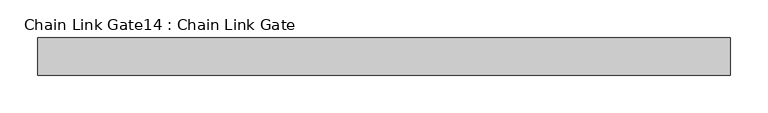
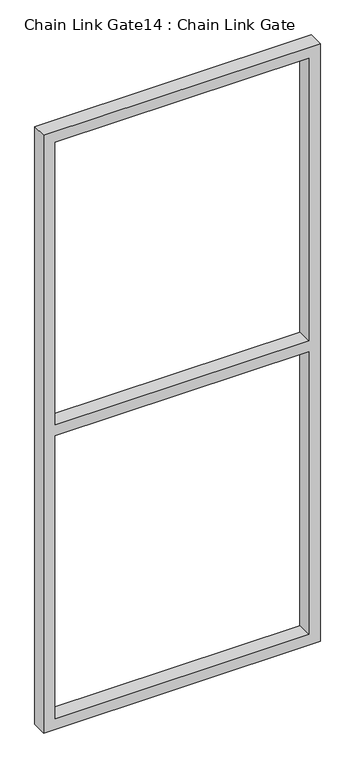
"""IFC4 building model written with IfcOpenShell, lengths in millimetres: proxy geometry, Chain Link Gate14 : Chain Link Gate."""

from ifc_helpers import new_model, si_unit, frame, origin, place, context, project, spatial, polyline, outline, extrude, source, transform, mapped, element, save


def chain_link_gate14_chain_link_gate_6f972e21(model_context):
    return source(origin(), model_context, "Body", "SweptSolid", [
        extrude(outline(polyline([(2120.9, -24854.2743371), (2120.9, -25778.1993371), (12.7, -25778.1993371), (12.7, -24854.2743371), (2120.9, -24854.2743371)]), holes=[polyline([(2082.8, -24892.3743371), (1085.85, -24892.3743371), (1085.85, -25740.0993371), (2082.8, -25740.0993371), (2082.8, -24892.3743371)]), polyline([(1047.75, -25740.0993371), (1047.75, -24892.3743371), (50.8, -24892.3743371), (50.8, -25740.0993371), (1047.75, -25740.0993371)])]), frame((0.0, -3998.1978765, 0.0), z_axis=(0.0, 1.0, 0.0), x_axis=(0.0, 0.0, 1.0)), (0.0, 0.0, 1.0), 50.1314753),
    ])


if __name__ == "__main__":
    model = new_model("IFC4")
    model_context = context("Model", 3, world=origin())
    ifc_project = project(units=[si_unit("LENGTHUNIT", "METRE", prefix="MILLI")], contexts=[model_context])
    site = spatial("IfcSite", under=ifc_project)
    building = spatial("IfcBuilding", under=site)
    placement = place(None, origin())
    chain_link_gate14_chain_link_gate_shape = chain_link_gate14_chain_link_gate_6f972e21(model_context)
    element("IfcBuildingElementProxy", 1, Name="Chain Link Gate14 : Chain Link Gate", ObjectType="Chain Link Gate14 : Chain Link Gate", at=placement, inside=building, context=model_context, shape_type="MappedRepresentation", body=[
        mapped(chain_link_gate14_chain_link_gate_shape, transform((0.0, 0.0, 0.0), x_axis=(1.0, 0.0, 0.0), y_axis=(0.0, 1.0, 0.0), z_axis=(0.0, 0.0, 1.0))),
    ])
    save(model, "model.ifc")
